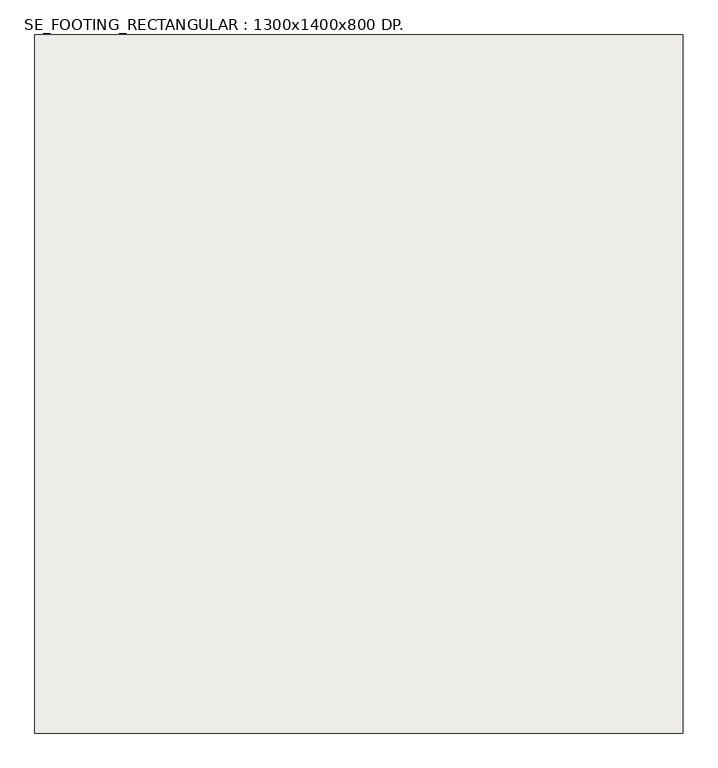
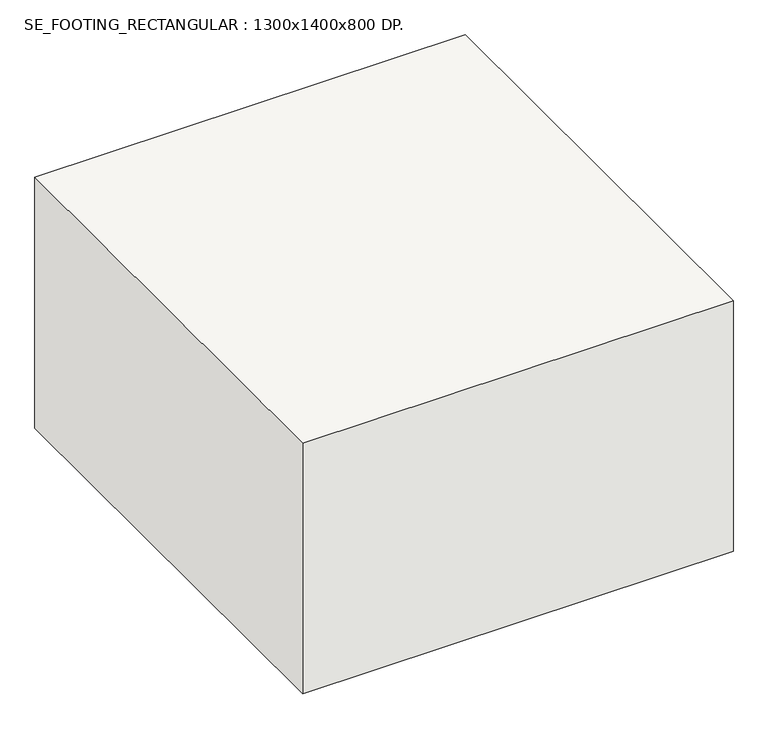
"""IFC4 building model written with IfcOpenShell, lengths in millimetres: slab geometry, SE_FOOTING_RECTANGULAR : 1300x1400x800 DP.."""

import ifcopenshell
import ifcopenshell.guid

model = None  # the IFC model being written
_history = None  # IfcOwnerHistory: only IFC2X3 demands one
_inside = {}  # id of a spatial element -> (the spatial element, [elements in it])
_under = {}  # id of a project, library or spatial element -> (it, [spatial elements below it])
_declared = {}  # id of a project -> (the project, [libraries it declares])
_typed = {}  # id of a type object -> (the type object, [elements of that type])
_made_of = {}  # id of a material, layer set ... -> (it, [elements and type objects made of it])


def new_model(schema):
    """Start an empty IFC model of exactly this schema.

    Asked for "IFC4X3", IfcOpenShell would pick the latest addendum, in which some entities
    have other attributes; the version numbers below select the first issue.
    IFC2X3 requires an IfcOwnerHistory on every rooted entity: one is made here for all.
    """
    global model, _history
    if schema == "IFC4X3":
        model = ifcopenshell.file(schema_version=(4, 3, 0, 0))
    else:
        model = ifcopenshell.file(schema=schema)
    _inside.clear()
    _under.clear()
    _declared.clear()
    _typed.clear()
    _made_of.clear()
    _history = None
    if model.schema == "IFC2X3":
        org = make("IfcOrganization", Name="unknown")
        user = make(
            "IfcPersonAndOrganization",
            ThePerson=make("IfcPerson", FamilyName="unknown"),
            TheOrganization=org,
        )
        app = make(
            "IfcApplication",
            ApplicationDeveloper=org,
            Version="unknown",
            ApplicationFullName="unknown",
            ApplicationIdentifier="unknown",
        )
        _history = make(
            "IfcOwnerHistory",
            OwningUser=user,
            OwningApplication=app,
            ChangeAction="ADDED",
            CreationDate=0,
        )
    return model


def make(cls, **values):
    """One entity of the class cls with the attributes given. An attribute that is None is left unset."""
    return model.create_entity(
        cls, **{name: value for name, value in values.items() if value is not None}
    )


def rooted(cls, **values):
    """An entity with a GlobalId (a new one), such as an element, a storey or a relation."""
    return make(cls, GlobalId=ifcopenshell.guid.new(), OwnerHistory=_history, **values)


def si_unit(unit_type, name, prefix=None):
    """IfcSIUnit, for example si_unit("LENGTHUNIT", "METRE", prefix="MILLI")."""
    return make("IfcSIUnit", UnitType=unit_type, Prefix=prefix, Name=name)


def assignment(units):
    """IfcUnitAssignment: the units of a project."""
    return None if units is None else make("IfcUnitAssignment", Units=units)


def point(xyz):
    """IfcCartesianPoint."""
    return None if xyz is None else make("IfcCartesianPoint", Coordinates=xyz)


def direction(xyz):
    """IfcDirection."""
    return None if xyz is None else make("IfcDirection", DirectionRatios=xyz)


def frame(location, z_axis=None, x_axis=None):
    """IfcAxis2Placement3D, a coordinate frame: its origin and axes. An axis left out is left unset."""
    return make(
        "IfcAxis2Placement3D",
        Location=point(location),
        Axis=direction(z_axis),
        RefDirection=direction(x_axis),
    )


def origin():
    """The frame at (0, 0, 0) with its axes left unset."""
    return frame((0.0, 0.0, 0.0))


def place(relative_to, where):
    """IfcLocalPlacement: puts the frame where relative to a parent placement (None: the world)."""
    return make(
        "IfcLocalPlacement", PlacementRelTo=relative_to, RelativePlacement=where
    )


def context(
    kind, dimensions, precision=None, world=None, true_north=None, identifier=None
):
    """IfcGeometricRepresentationContext, for example the 3D "Model" context."""
    return make(
        "IfcGeometricRepresentationContext",
        ContextIdentifier=identifier,
        ContextType=kind,
        CoordinateSpaceDimension=dimensions,
        Precision=precision,
        WorldCoordinateSystem=world,
        TrueNorth=true_north,
    )


def project(units=None, contexts=None):
    """IfcProject with its units and contexts."""
    return rooted(
        "IfcProject",
        Name="project",
        RepresentationContexts=contexts,
        UnitsInContext=assignment(units),
    )


def spatial(cls, under=None, at=None, **own):
    """A site, building, storey or space (cls), placed at a placement, below another one or the project."""
    s = rooted(cls, ObjectPlacement=at, **own)
    if under is not None:
        _under.setdefault(under.id(), (under, []))[1].append(s)
    return s


def polyline(points):
    """IfcPolyline through the points."""
    return make("IfcPolyline", Points=[point(p) for p in points])


def outline(outer, holes=None, kind="AREA"):
    """IfcArbitraryClosedProfileDef: a profile drawn as a closed curve; with holes, ...WithVoids."""
    if holes is None:
        return make("IfcArbitraryClosedProfileDef", ProfileType=kind, OuterCurve=outer)
    return make(
        "IfcArbitraryProfileDefWithVoids",
        ProfileType=kind,
        OuterCurve=outer,
        InnerCurves=holes,
    )


def extrude(swept, where, along, depth):
    """IfcExtrudedAreaSolid: the profile swept, set in the frame where, extruded along a direction by depth."""
    return make(
        "IfcExtrudedAreaSolid",
        SweptArea=swept,
        Position=where,
        ExtrudedDirection=direction(along),
        Depth=depth,
    )


def shape(context_of_items, identifier, shape_type, items):
    """IfcShapeRepresentation: the items that make up one representation, for example the "Body"."""
    return make(
        "IfcShapeRepresentation",
        ContextOfItems=context_of_items,
        RepresentationIdentifier=identifier,
        RepresentationType=shape_type,
        Items=items,
    )


def source(mapping_origin, context_of_items, identifier, shape_type, items):
    """IfcRepresentationMap: a shape defined once, which mapped items show again and again."""
    return make(
        "IfcRepresentationMap",
        MappingOrigin=mapping_origin,
        MappedRepresentation=shape(context_of_items, identifier, shape_type, items),
    )


def transform(
    local_origin,
    x_axis=None,
    y_axis=None,
    z_axis=None,
    scale=None,
    scale2=None,
    scale3=None,
    uniform=True,
):
    """IfcCartesianTransformationOperator3D, or its non-uniform kind. x_axis, y_axis, z_axis: its Axis1, 2, 3."""
    if uniform:
        return make(
            "IfcCartesianTransformationOperator3D",
            Axis1=direction(x_axis),
            Axis2=direction(y_axis),
            LocalOrigin=point(local_origin),
            Scale=scale,
            Axis3=direction(z_axis),
        )
    return make(
        "IfcCartesianTransformationOperator3DnonUniform",
        Axis1=direction(x_axis),
        Axis2=direction(y_axis),
        LocalOrigin=point(local_origin),
        Scale=scale,
        Axis3=direction(z_axis),
        Scale2=scale2,
        Scale3=scale3,
    )


def mapped(mapping_source, mapping_target):
    """IfcMappedItem: shows the shape of a source again, moved by a transform."""
    return make(
        "IfcMappedItem", MappingSource=mapping_source, MappingTarget=mapping_target
    )


def made_of(thing, what):
    """Note that an element or type object is made of a material, layer set ...; save() writes the relation."""
    if what is not None:
        _made_of.setdefault(what.id(), (what, []))[1].append(thing)
    return thing


def element(
    cls,
    number,
    at=None,
    inside=None,
    cuts=None,
    type_object=None,
    material=None,
    context=None,
    identifier="Body",
    shape_type=None,
    held_by="IfcProductDefinitionShape",
    body=None,
    shapes=None,
    **own,
):
    """One element of the class cls, such as IfcWall. Its Tag is "e" and its number.

    at: its placement. inside: the storey or other place that contains it. cuts: it is an
    opening in that element (IfcRelVoidsElement). A single representation is given by context,
    identifier, shape_type and body (its items); several are given by shapes. held_by: the class
    of the entity that holds the representations. save() writes the other relations.
    """
    e = rooted(cls, Tag="e%d" % number, ObjectPlacement=at, **own)
    if body is not None:
        shapes = [shape(context, identifier, shape_type, body)]
    if shapes is not None:
        e.Representation = make(held_by, Representations=shapes)
    if inside is not None:
        _inside.setdefault(inside.id(), (inside, []))[1].append(e)
    if cuts is not None:
        rooted(
            "IfcRelVoidsElement", RelatingBuildingElement=cuts, RelatedOpeningElement=e
        )
    if type_object is not None:
        _typed.setdefault(type_object.id(), (type_object, []))[1].append(e)
    return made_of(e, material)


def aggregate(whole, parts):
    """IfcRelAggregates: a whole, such as a stair, and the parts it consists of."""
    return rooted("IfcRelAggregates", RelatingObject=whole, RelatedObjects=parts)


def save(model, path):
    """Write the relations noted so far, then the file.

    IfcRelAggregates (storeys below a building ...), IfcRelContainedInSpatialStructure (elements
    in a storey), IfcRelDefinesByType, IfcRelAssociatesMaterial and IfcRelDeclares: one each for
    every whole, place, type object, material and project.
    """
    for whole, parts in _under.values():
        aggregate(whole, parts)
    for where, things in _inside.values():
        rooted(
            "IfcRelContainedInSpatialStructure",
            RelatedElements=things,
            RelatingStructure=where,
        )
    for kind, things in _typed.values():
        rooted("IfcRelDefinesByType", RelatedObjects=things, RelatingType=kind)
    for what, things in _made_of.values():
        rooted("IfcRelAssociatesMaterial", RelatedObjects=things, RelatingMaterial=what)
    for by, libraries in _declared.values():
        rooted("IfcRelDeclares", RelatingContext=by, RelatedDefinitions=libraries)
    model.write(path)


def se_footing_rectangular_1300x1400x800_dp_eee4f3e4(model_context):
    return source(origin(), model_context, "Body", "SweptSolid", [
        extrude(outline(polyline([(650.0, 700.0), (650.0, -700.0), (-650.0, -700.0), (-650.0, 700.0), (650.0, 700.0)])), frame((0.0, 0.0, -800.0), z_axis=(0.0, 0.0, 1.0), x_axis=(1.0, 0.0, 0.0)), (0.0, 0.0, 1.0), 800.0),
    ])


if __name__ == "__main__":
    model = new_model("IFC4")
    model_context = context("Model", 3, world=origin())
    ifc_project = project(units=[si_unit("LENGTHUNIT", "METRE", prefix="MILLI")], contexts=[model_context])
    site = spatial("IfcSite", under=ifc_project)
    building = spatial("IfcBuilding", under=site)
    placement = place(None, origin())
    se_footing_rectangular_1300x1400x800_dp_shape = se_footing_rectangular_1300x1400x800_dp_eee4f3e4(model_context)
    element("IfcSlab", 1, ObjectType="SE_FOOTING_RECTANGULAR : 1300x1400x800 DP.", at=placement, inside=building, context=model_context, shape_type="MappedRepresentation", body=[
        mapped(se_footing_rectangular_1300x1400x800_dp_shape, transform((0.0, 0.0, 0.0), x_axis=(1.0, 0.0, 0.0), y_axis=(0.0, 1.0, 0.0), z_axis=(0.0, 0.0, 1.0))),
    ])
    save(model, "model.ifc")
